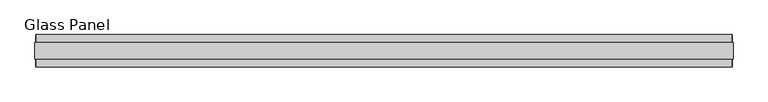
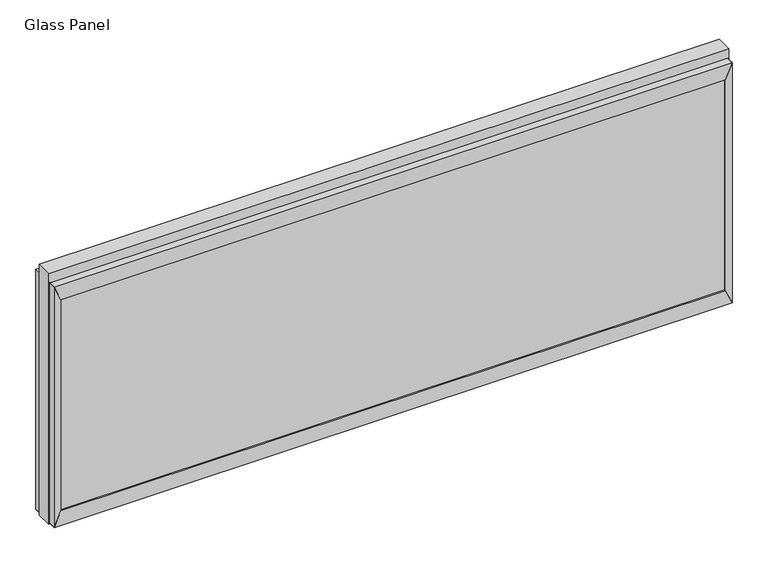
"""IFC4 building model written with IfcOpenShell, lengths in millimetres: plate geometry, Glass Panel."""

from ifc_helpers import new_model, si_unit, frame, origin, place, context, project, spatial, polyline, outline, extrude, source, transform, mapped, element, save


def glass_panel_9504a224(model_context):
    return source(origin(), model_context, "Body", "SweptSolid", [
        extrude(outline(polyline([(1055.6652178, -45.1096), (-1055.6652178, -45.1096), (-1055.6652178, -33.6796), (1055.6652178, -33.6796), (1055.6652178, -45.1096)])), frame((0.0, 0.0, 52.0065), z_axis=(0.0, 0.0, 1.0), x_axis=(1.0, 0.0, 0.0)), (0.0, 0.0, 1.0), 709.0029),
        extrude(outline(polyline([(1055.6652178, 33.9098), (-1055.6652178, 33.9098), (-1055.6652178, 45.3398), (1055.6652178, 45.3398), (1055.6652178, 33.9098)])), frame((0.0, 0.0, 52.0065), z_axis=(0.0, 0.0, 1.0), x_axis=(1.0, 0.0, 0.0)), (0.0, 0.0, 1.0), 709.0029),
        extrude(outline(polyline([(52.0065, 1055.6652178), (52.0065, -1055.6652178), (3.0099, -1077.6616178), (3.0099, 1077.6616178), (52.0065, 1055.6652178)])), frame((0.0, -49.9229, 0.0), z_axis=(0.0, 1.0, 0.0), x_axis=(0.0, 0.0, 1.0)), (0.0, 0.0, 1.0), 100.076),
        extrude(outline(polyline([(761.0094, 1055.6652178), (810.006, 1077.6616178), (810.006, -1077.6616178), (761.0094, -1055.6652178), (761.0094, 1055.6652178)])), frame((0.0, -49.9229, 0.0), z_axis=(0.0, 1.0, 0.0), x_axis=(0.0, 0.0, 1.0)), (0.0, 0.0, 1.0), 100.076),
        extrude(outline(polyline([(52.0065, 1055.6652178), (3.0099, 1077.6616178), (810.006, 1077.6616178), (761.0094, 1055.6652178), (52.0065, 1055.6652178)])), frame((0.0, -49.9229, 0.0), z_axis=(0.0, 1.0, 0.0), x_axis=(0.0, 0.0, 1.0)), (0.0, 0.0, 1.0), 100.076),
        extrude(outline(polyline([(52.0065, -1055.6652178), (761.0094, -1055.6652178), (810.006, -1077.6616178), (3.0099, -1077.6616178), (52.0065, -1055.6652178)])), frame((0.0, -49.9229, 0.0), z_axis=(0.0, 1.0, 0.0), x_axis=(0.0, 0.0, 1.0)), (0.0, 0.0, 1.0), 100.076),
        extrude(outline(polyline([(0.0, -1080.6588178), (0.0, 1080.6588178), (842.01, 1080.6588178), (842.01, -1080.6588178), (0.0, -1080.6588178)]), holes=[polyline([(3.0099, 1077.6616178), (3.0099, -1077.6616178), (810.006, -1077.6616178), (810.006, 1077.6616178), (3.0099, 1077.6616178)])]), frame((0.0, -25.8818, 0.0), z_axis=(0.0, 1.0, 0.0), x_axis=(0.0, 0.0, 1.0)), (0.0, 0.0, 1.0), 51.9938),
    ])


if __name__ == "__main__":
    model = new_model("IFC4")
    model_context = context("Model", 3, world=origin())
    ifc_project = project(units=[si_unit("LENGTHUNIT", "METRE", prefix="MILLI")], contexts=[model_context])
    site = spatial("IfcSite", under=ifc_project)
    building = spatial("IfcBuilding", under=site)
    placement = place(None, origin())
    glass_panel_shape = glass_panel_9504a224(model_context)
    element("IfcPlate", 1, ObjectType="Glass Panel", at=placement, inside=building, context=model_context, shape_type="MappedRepresentation", body=[
        mapped(glass_panel_shape, transform((0.0, 0.0, 0.0), x_axis=(1.0, 0.0, 0.0), y_axis=(0.0, 1.0, 0.0), z_axis=(0.0, 0.0, 1.0))),
    ])
    save(model, "model.ifc")
